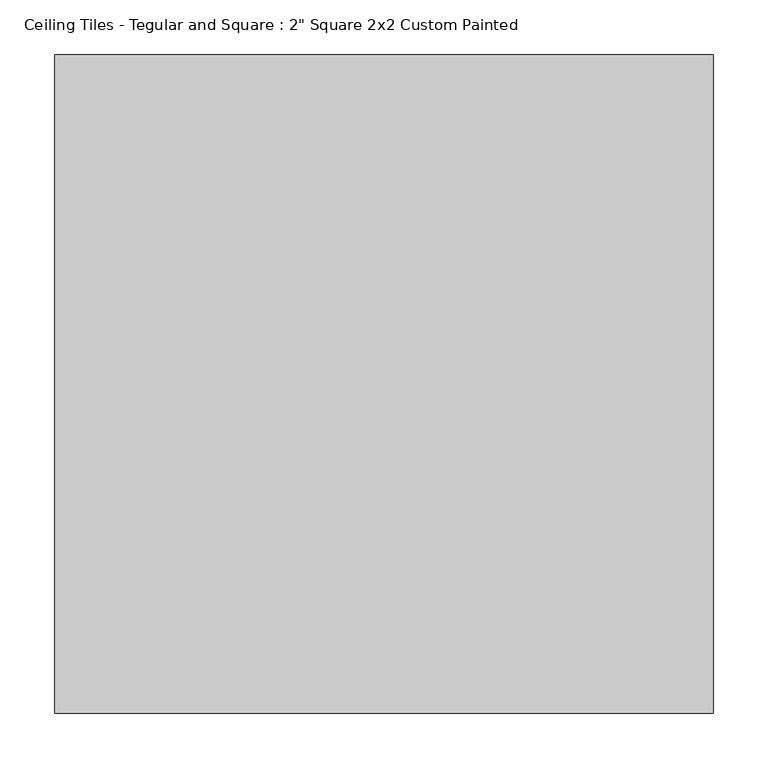
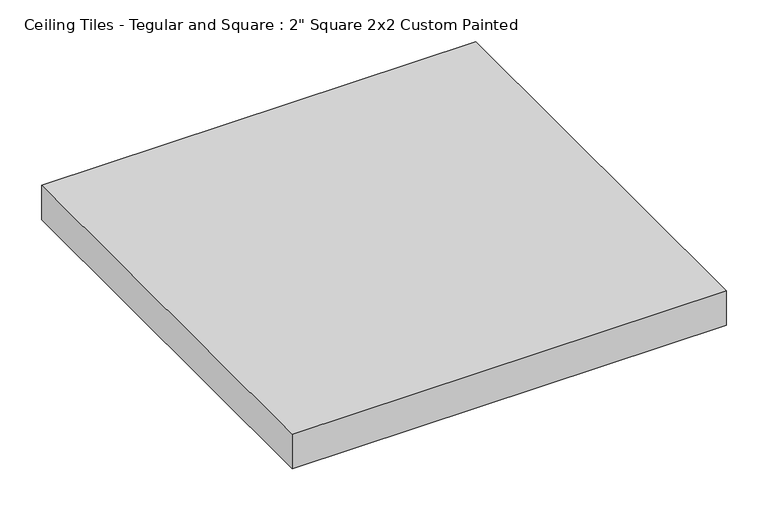
"""IFC4 building model written with IfcOpenShell, lengths in millimetres: proxy geometry."""

from ifc_helpers import new_model, si_unit, origin, origin_with_axes, place, context, project, spatial, polyline, outline, extrude, source, transform, mapped, element, save


def proxy_68d2bb20(model_context):
    return source(origin(), model_context, "Body", "SweptSolid", [
        extrude(outline(polyline([(-301.625, 301.625), (301.625, 301.625), (301.625, -301.625), (-301.625, -301.625), (-301.625, 301.625)])), origin_with_axes(), (0.0, 0.0, 1.0), 50.8),
    ])


if __name__ == "__main__":
    model = new_model("IFC4")
    model_context = context("Model", 3, world=origin())
    ifc_project = project(units=[si_unit("LENGTHUNIT", "METRE", prefix="MILLI")], contexts=[model_context])
    site = spatial("IfcSite", under=ifc_project)
    building = spatial("IfcBuilding", under=site)
    placement = place(None, origin())
    proxy_shape = proxy_68d2bb20(model_context)
    element("IfcBuildingElementProxy", 1, Name="Ceiling Tiles - Tegular and Square : 2\" Square 2x2 Custom Painted", ObjectType="Ceiling Tiles - Tegular and Square : 2\" Square 2x2 Custom Painted", at=placement, inside=building, context=model_context, shape_type="MappedRepresentation", body=[
        mapped(proxy_shape, transform((0.0, 0.0, 0.0), x_axis=(1.0, 0.0, 0.0), y_axis=(0.0, 1.0, 0.0), z_axis=(0.0, 0.0, 1.0))),
    ])
    save(model, "model.ifc")
